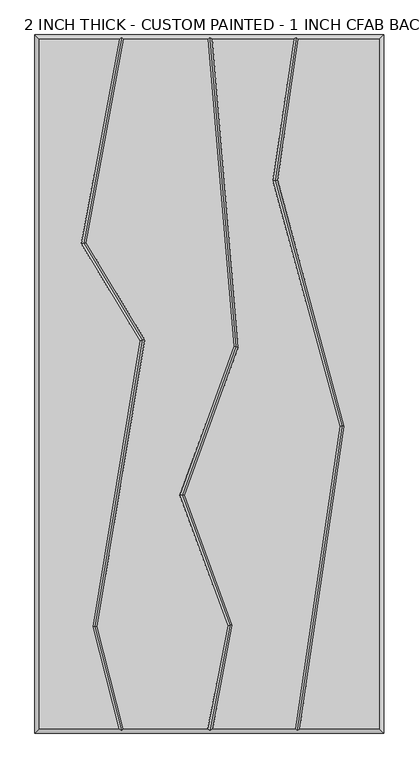
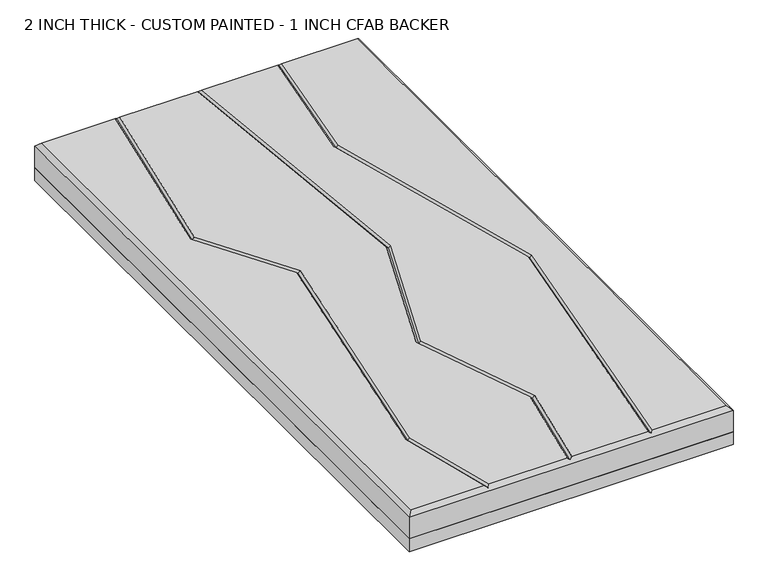
"""IFC4 building model written with IfcOpenShell, lengths in millimetres: proxy geometry, 2 INCH THICK - CUSTOM PAINTED - 1 INCH CFAB BACKER."""

from ifc_helpers import new_model, si_unit, frame, origin, place, context, project, spatial, polyline, outline, extrude, faceted_brep, source, transform, mapped, element, save


def proxy_2_inch_thick_custom_painted_1_inch_cfab_backer_6208ffee(model_context):
    return source(origin(), model_context, "Body", "SolidModel", [
        extrude(outline(polyline([(-304.8, 609.6), (304.8, 609.6), (304.8, -609.6), (-304.8, -609.6), (-304.8, 609.6)])), frame((0.0, 0.0, -25.4), z_axis=(0.0, 0.0, 1.0), x_axis=(1.0, 0.0, 0.0)), (0.0, 0.0, 1.0), 25.4),
        faceted_brep([(-296.799, 601.599, 50.8), (-296.799, -601.599, 50.8), (-158.5803509, -601.599, 50.8), (-204.1076125, -423.9126768, 50.8), (-121.6761617, 75.6458719, 50.8), (-223.5207333, 244.8349563, 50.8), (-157.9388411, 601.599, 50.8), (296.799, -601.599, 50.8), (296.799, 601.599, 50.8), (155.2631596, 601.599, 50.8), (118.9316967, 355.4997887, 50.8), (235.610381, -73.3512983, 50.8), (157.6255242, -601.599, 50.8), (-195.9395558, -423.5559486, 50.8), (-150.3208924, -601.599, 50.8), (-2.5427902, -601.599, 50.8), (31.8547327, -421.752345, 50.8), (-51.4382369, -194.5897006, 50.8), (42.0141797, 65.5616213, 50.8), (-3.3378717, 601.599, 50.8), (-149.8037818, 601.599, 50.8), (-215.1040836, 246.3668022, 50.8), (-113.3024346, 77.2490229, 50.8), (40.1296065, -421.0786666, 50.8), (5.6032357, -601.599, 50.8), (149.5378056, -601.599, 50.8), (227.4508614, -73.8376585, 50.8), (110.7721771, 355.0134284, 50.8), (147.175441, 601.599, 50.8), (4.6917136, 601.599, 50.8), (50.1337385, 64.4981813, 50.8), (-42.9266108, -194.5617101, 50.8), (-304.8, 609.6, 0.0), (304.8, 609.6, 0.0), (304.8, -609.6, 0.0), (-304.8, -609.6, 0.0), (-304.8, -609.6, 42.799), (-304.8, 609.6, 42.799), (304.8, -609.6, 42.799), (304.8, 609.6, 42.799), (-153.1359224, 605.5995, 46.7995), (0.3384541, 605.5995, 46.7995), (151.8098914, 605.5995, 46.7995), (152.9910738, -605.5995, 46.7995), (0.765086, -605.5995, 46.7995), (-153.4256029, -605.5995, 46.7995), (-200.0235842, -423.7343127, 46.7995), (-117.4892982, 76.4474474, 46.7995), (-219.3124085, 245.6008793, 46.7995), (35.9921696, -421.4155058, 46.7995), (-47.1824239, -194.5757053, 46.7995), (46.0739591, 65.0299013, 46.7995), (231.5306212, -73.5944784, 46.7995), (114.8519369, 355.2566085, 46.7995)], [[[0, 1, 2, 3, 4, 5, 6]], [[7, 8, 9, 10, 11, 12]], [[13, 14, 15, 16, 17, 18, 19, 20, 21, 22]], [[23, 24, 25, 26, 27, 28, 29, 30, 31]], [[32, 33, 34, 35]], [[32, 35, 36, 37]], [[35, 34, 38, 36]], [[34, 33, 39, 38]], [[33, 32, 37, 39]], [[37, 0, 6, 40, 20, 19, 41, 29, 28, 42, 9, 8, 39]], [[0, 37, 36, 1]], [[1, 36, 38, 7, 12, 43, 25, 24, 44, 15, 14, 45, 2]], [[39, 8, 7, 38]], [[46, 3, 2, 45]], [[13, 46, 45, 14]], [[3, 46, 47, 4]], [[46, 13, 22, 47]], [[4, 47, 48, 5]], [[47, 22, 21, 48]], [[5, 48, 40, 6]], [[48, 21, 20, 40]], [[49, 16, 15, 44]], [[23, 49, 44, 24]], [[16, 49, 50, 17]], [[49, 23, 31, 50]], [[17, 50, 51, 18]], [[50, 31, 30, 51]], [[18, 51, 41, 19]], [[51, 30, 29, 41]], [[52, 26, 25, 43]], [[11, 52, 43, 12]], [[26, 52, 53, 27]], [[52, 11, 10, 53]], [[27, 53, 42, 28]], [[53, 10, 9, 42]]]),
    ])


if __name__ == "__main__":
    model = new_model("IFC4")
    model_context = context("Model", 3, world=origin())
    ifc_project = project(units=[si_unit("LENGTHUNIT", "METRE", prefix="MILLI")], contexts=[model_context])
    site = spatial("IfcSite", under=ifc_project)
    building = spatial("IfcBuilding", under=site)
    placement = place(None, origin())
    proxy_2_inch_thick_custom_painted_1_inch_cfab_backer_shape = proxy_2_inch_thick_custom_painted_1_inch_cfab_backer_6208ffee(model_context)
    element("IfcBuildingElementProxy", 1, Name="2 INCH THICK - CUSTOM PAINTED - 1 INCH CFAB BACKER", ObjectType="2 INCH THICK - CUSTOM PAINTED - 1 INCH CFAB BACKER", at=placement, inside=building, context=model_context, shape_type="MappedRepresentation", body=[
        mapped(proxy_2_inch_thick_custom_painted_1_inch_cfab_backer_shape, transform((0.0, 0.0, 0.0), x_axis=(1.0, 0.0, 0.0), y_axis=(0.0, 1.0, 0.0), z_axis=(0.0, 0.0, 1.0))),
    ])
    save(model, "model.ifc")
